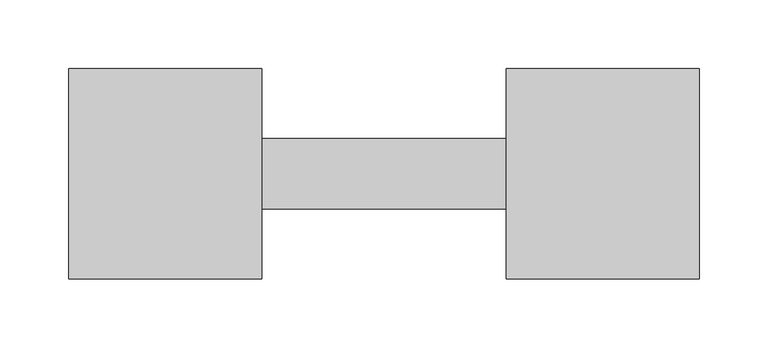
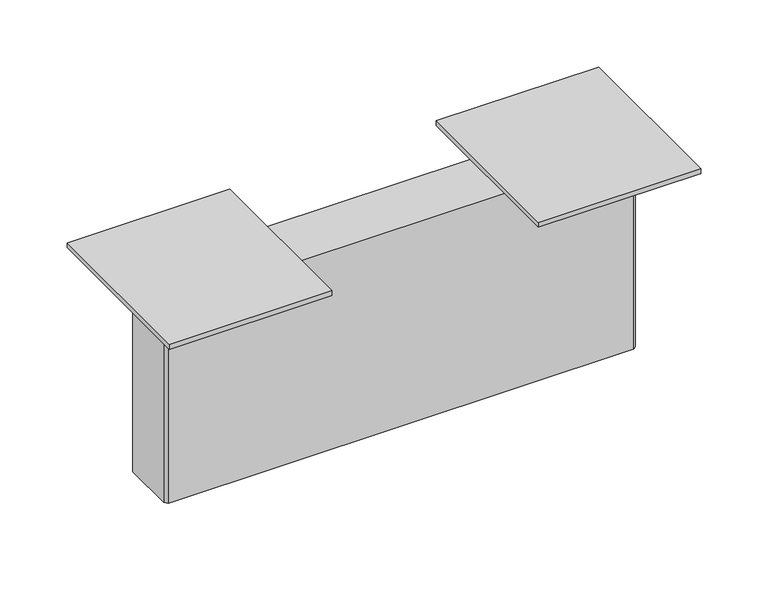
"""IFC4 building model written with IfcOpenShell, lengths in millimetres: furniture geometry."""

import ifcopenshell
import ifcopenshell.guid

model = None  # the IFC model being written
_history = None  # IfcOwnerHistory: only IFC2X3 demands one
_inside = {}  # id of a spatial element -> (the spatial element, [elements in it])
_under = {}  # id of a project, library or spatial element -> (it, [spatial elements below it])
_declared = {}  # id of a project -> (the project, [libraries it declares])
_typed = {}  # id of a type object -> (the type object, [elements of that type])
_made_of = {}  # id of a material, layer set ... -> (it, [elements and type objects made of it])


def new_model(schema):
    """Start an empty IFC model of exactly this schema.

    Asked for "IFC4X3", IfcOpenShell would pick the latest addendum, in which some entities
    have other attributes; the version numbers below select the first issue.
    IFC2X3 requires an IfcOwnerHistory on every rooted entity: one is made here for all.
    """
    global model, _history
    if schema == "IFC4X3":
        model = ifcopenshell.file(schema_version=(4, 3, 0, 0))
    else:
        model = ifcopenshell.file(schema=schema)
    _inside.clear()
    _under.clear()
    _declared.clear()
    _typed.clear()
    _made_of.clear()
    _history = None
    if model.schema == "IFC2X3":
        org = make("IfcOrganization", Name="unknown")
        user = make(
            "IfcPersonAndOrganization",
            ThePerson=make("IfcPerson", FamilyName="unknown"),
            TheOrganization=org,
        )
        app = make(
            "IfcApplication",
            ApplicationDeveloper=org,
            Version="unknown",
            ApplicationFullName="unknown",
            ApplicationIdentifier="unknown",
        )
        _history = make(
            "IfcOwnerHistory",
            OwningUser=user,
            OwningApplication=app,
            ChangeAction="ADDED",
            CreationDate=0,
        )
    return model


def make(cls, **values):
    """One entity of the class cls with the attributes given. An attribute that is None is left unset."""
    return model.create_entity(
        cls, **{name: value for name, value in values.items() if value is not None}
    )


def rooted(cls, **values):
    """An entity with a GlobalId (a new one), such as an element, a storey or a relation."""
    return make(cls, GlobalId=ifcopenshell.guid.new(), OwnerHistory=_history, **values)


def si_unit(unit_type, name, prefix=None):
    """IfcSIUnit, for example si_unit("LENGTHUNIT", "METRE", prefix="MILLI")."""
    return make("IfcSIUnit", UnitType=unit_type, Prefix=prefix, Name=name)


def assignment(units):
    """IfcUnitAssignment: the units of a project."""
    return None if units is None else make("IfcUnitAssignment", Units=units)


def point(xyz):
    """IfcCartesianPoint."""
    return None if xyz is None else make("IfcCartesianPoint", Coordinates=xyz)


def direction(xyz):
    """IfcDirection."""
    return None if xyz is None else make("IfcDirection", DirectionRatios=xyz)


def frame(location, z_axis=None, x_axis=None):
    """IfcAxis2Placement3D, a coordinate frame: its origin and axes. An axis left out is left unset."""
    return make(
        "IfcAxis2Placement3D",
        Location=point(location),
        Axis=direction(z_axis),
        RefDirection=direction(x_axis),
    )


def origin():
    """The frame at (0, 0, 0) with its axes left unset."""
    return frame((0.0, 0.0, 0.0))


def place(relative_to, where):
    """IfcLocalPlacement: puts the frame where relative to a parent placement (None: the world)."""
    return make(
        "IfcLocalPlacement", PlacementRelTo=relative_to, RelativePlacement=where
    )


def context(
    kind, dimensions, precision=None, world=None, true_north=None, identifier=None
):
    """IfcGeometricRepresentationContext, for example the 3D "Model" context."""
    return make(
        "IfcGeometricRepresentationContext",
        ContextIdentifier=identifier,
        ContextType=kind,
        CoordinateSpaceDimension=dimensions,
        Precision=precision,
        WorldCoordinateSystem=world,
        TrueNorth=true_north,
    )


def project(units=None, contexts=None):
    """IfcProject with its units and contexts."""
    return rooted(
        "IfcProject",
        Name="project",
        RepresentationContexts=contexts,
        UnitsInContext=assignment(units),
    )


def spatial(cls, under=None, at=None, **own):
    """A site, building, storey or space (cls), placed at a placement, below another one or the project."""
    s = rooted(cls, ObjectPlacement=at, **own)
    if under is not None:
        _under.setdefault(under.id(), (under, []))[1].append(s)
    return s


def polyline(points):
    """IfcPolyline through the points."""
    return make("IfcPolyline", Points=[point(p) for p in points])


def outline(outer, holes=None, kind="AREA"):
    """IfcArbitraryClosedProfileDef: a profile drawn as a closed curve; with holes, ...WithVoids."""
    if holes is None:
        return make("IfcArbitraryClosedProfileDef", ProfileType=kind, OuterCurve=outer)
    return make(
        "IfcArbitraryProfileDefWithVoids",
        ProfileType=kind,
        OuterCurve=outer,
        InnerCurves=holes,
    )


def extrude(swept, where, along, depth):
    """IfcExtrudedAreaSolid: the profile swept, set in the frame where, extruded along a direction by depth."""
    return make(
        "IfcExtrudedAreaSolid",
        SweptArea=swept,
        Position=where,
        ExtrudedDirection=direction(along),
        Depth=depth,
    )


def shape(context_of_items, identifier, shape_type, items):
    """IfcShapeRepresentation: the items that make up one representation, for example the "Body"."""
    return make(
        "IfcShapeRepresentation",
        ContextOfItems=context_of_items,
        RepresentationIdentifier=identifier,
        RepresentationType=shape_type,
        Items=items,
    )


def source(mapping_origin, context_of_items, identifier, shape_type, items):
    """IfcRepresentationMap: a shape defined once, which mapped items show again and again."""
    return make(
        "IfcRepresentationMap",
        MappingOrigin=mapping_origin,
        MappedRepresentation=shape(context_of_items, identifier, shape_type, items),
    )


def transform(
    local_origin,
    x_axis=None,
    y_axis=None,
    z_axis=None,
    scale=None,
    scale2=None,
    scale3=None,
    uniform=True,
):
    """IfcCartesianTransformationOperator3D, or its non-uniform kind. x_axis, y_axis, z_axis: its Axis1, 2, 3."""
    if uniform:
        return make(
            "IfcCartesianTransformationOperator3D",
            Axis1=direction(x_axis),
            Axis2=direction(y_axis),
            LocalOrigin=point(local_origin),
            Scale=scale,
            Axis3=direction(z_axis),
        )
    return make(
        "IfcCartesianTransformationOperator3DnonUniform",
        Axis1=direction(x_axis),
        Axis2=direction(y_axis),
        LocalOrigin=point(local_origin),
        Scale=scale,
        Axis3=direction(z_axis),
        Scale2=scale2,
        Scale3=scale3,
    )


def mapped(mapping_source, mapping_target):
    """IfcMappedItem: shows the shape of a source again, moved by a transform."""
    return make(
        "IfcMappedItem", MappingSource=mapping_source, MappingTarget=mapping_target
    )


def made_of(thing, what):
    """Note that an element or type object is made of a material, layer set ...; save() writes the relation."""
    if what is not None:
        _made_of.setdefault(what.id(), (what, []))[1].append(thing)
    return thing


def element(
    cls,
    number,
    at=None,
    inside=None,
    cuts=None,
    type_object=None,
    material=None,
    context=None,
    identifier="Body",
    shape_type=None,
    held_by="IfcProductDefinitionShape",
    body=None,
    shapes=None,
    **own,
):
    """One element of the class cls, such as IfcWall. Its Tag is "e" and its number.

    at: its placement. inside: the storey or other place that contains it. cuts: it is an
    opening in that element (IfcRelVoidsElement). A single representation is given by context,
    identifier, shape_type and body (its items); several are given by shapes. held_by: the class
    of the entity that holds the representations. save() writes the other relations.
    """
    e = rooted(cls, Tag="e%d" % number, ObjectPlacement=at, **own)
    if body is not None:
        shapes = [shape(context, identifier, shape_type, body)]
    if shapes is not None:
        e.Representation = make(held_by, Representations=shapes)
    if inside is not None:
        _inside.setdefault(inside.id(), (inside, []))[1].append(e)
    if cuts is not None:
        rooted(
            "IfcRelVoidsElement", RelatingBuildingElement=cuts, RelatedOpeningElement=e
        )
    if type_object is not None:
        _typed.setdefault(type_object.id(), (type_object, []))[1].append(e)
    return made_of(e, material)


def aggregate(whole, parts):
    """IfcRelAggregates: a whole, such as a stair, and the parts it consists of."""
    return rooted("IfcRelAggregates", RelatingObject=whole, RelatedObjects=parts)


def save(model, path):
    """Write the relations noted so far, then the file.

    IfcRelAggregates (storeys below a building ...), IfcRelContainedInSpatialStructure (elements
    in a storey), IfcRelDefinesByType, IfcRelAssociatesMaterial and IfcRelDeclares: one each for
    every whole, place, type object, material and project.
    """
    for whole, parts in _under.values():
        aggregate(whole, parts)
    for where, things in _inside.values():
        rooted(
            "IfcRelContainedInSpatialStructure",
            RelatedElements=things,
            RelatingStructure=where,
        )
    for kind, things in _typed.values():
        rooted("IfcRelDefinesByType", RelatedObjects=things, RelatingType=kind)
    for what, things in _made_of.values():
        rooted("IfcRelAssociatesMaterial", RelatedObjects=things, RelatingMaterial=what)
    for by, libraries in _declared.values():
        rooted("IfcRelDeclares", RelatingContext=by, RelatedDefinitions=libraries)
    model.write(path)


def furniture_9cb27e26(model_context):
    return source(origin(), model_context, "Body", "SweptSolid", [
        extrude(outline(polyline([(111.4694339, 621.4846273), (111.4694339, 469.0846273), (-28.2305661, 469.0846273), (-28.2305661, 621.4846273), (111.4694339, 621.4846273)])), frame((0.0, 0.0, 702.66814), z_axis=(0.0, 0.0, 1.0), x_axis=(1.0, 0.0, 0.0)), (0.0, 0.0, 1.0), 4.34086),
        extrude(outline(polyline([(428.8398939, 621.4846273), (428.8398939, 469.0846273), (289.1398939, 469.0846273), (289.1398939, 621.4846273), (428.8398939, 621.4846273)])), frame((0.0, 0.0, 702.66814), z_axis=(0.0, 0.0, 1.0), x_axis=(1.0, 0.0, 0.0)), (0.0, 0.0, 1.0), 4.34086),
        extrude(outline(polyline([(400.4426939, 519.8846273), (0.0218539, 519.8846273), (-2.5181461, 522.4246273), (-2.5181461, 568.1446273), (0.0218539, 570.6846273), (400.4426939, 570.6846273), (402.9826939, 568.1446273), (402.9826939, 522.4246273), (400.4426939, 519.8846273)])), frame((0.0, 0.0, 521.92174), z_axis=(0.0, 0.0, 1.0), x_axis=(1.0, 0.0, 0.0)), (0.0, 0.0, 1.0), 180.7464),
    ])


if __name__ == "__main__":
    model = new_model("IFC4")
    model_context = context("Model", 3, world=origin())
    ifc_project = project(units=[si_unit("LENGTHUNIT", "METRE", prefix="MILLI")], contexts=[model_context])
    site = spatial("IfcSite", under=ifc_project)
    building = spatial("IfcBuilding", under=site)
    placement = place(None, origin())
    furniture_shape = furniture_9cb27e26(model_context)
    element("IfcFurniture", 1, at=placement, inside=building, context=model_context, shape_type="MappedRepresentation", body=[
        mapped(furniture_shape, transform((0.0, 0.0, 0.0), x_axis=(1.0, 0.0, 0.0), y_axis=(0.0, 1.0, 0.0), z_axis=(0.0, 0.0, 1.0))),
    ])
    save(model, "model.ifc")
